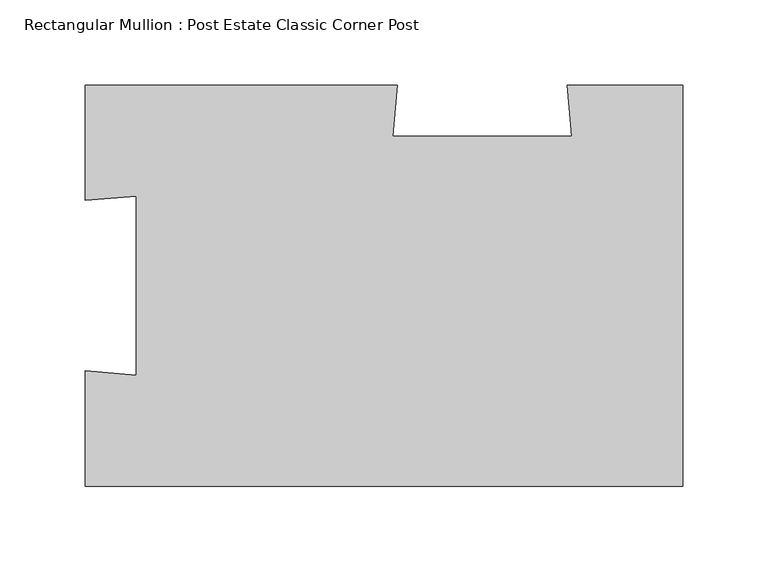
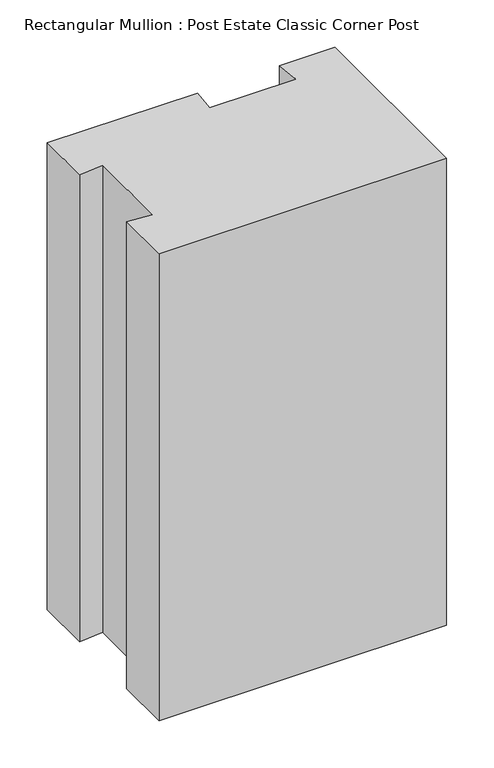
"""IFC4 building model written with IfcOpenShell, lengths in millimetres: member geometry, Rectangular Mullion : Post Estate Classic Corner Post."""

import ifcopenshell
import ifcopenshell.guid

model = None  # the IFC model being written
_history = None  # IfcOwnerHistory: only IFC2X3 demands one
_inside = {}  # id of a spatial element -> (the spatial element, [elements in it])
_under = {}  # id of a project, library or spatial element -> (it, [spatial elements below it])
_declared = {}  # id of a project -> (the project, [libraries it declares])
_typed = {}  # id of a type object -> (the type object, [elements of that type])
_made_of = {}  # id of a material, layer set ... -> (it, [elements and type objects made of it])


def new_model(schema):
    """Start an empty IFC model of exactly this schema.

    Asked for "IFC4X3", IfcOpenShell would pick the latest addendum, in which some entities
    have other attributes; the version numbers below select the first issue.
    IFC2X3 requires an IfcOwnerHistory on every rooted entity: one is made here for all.
    """
    global model, _history
    if schema == "IFC4X3":
        model = ifcopenshell.file(schema_version=(4, 3, 0, 0))
    else:
        model = ifcopenshell.file(schema=schema)
    _inside.clear()
    _under.clear()
    _declared.clear()
    _typed.clear()
    _made_of.clear()
    _history = None
    if model.schema == "IFC2X3":
        org = make("IfcOrganization", Name="unknown")
        user = make(
            "IfcPersonAndOrganization",
            ThePerson=make("IfcPerson", FamilyName="unknown"),
            TheOrganization=org,
        )
        app = make(
            "IfcApplication",
            ApplicationDeveloper=org,
            Version="unknown",
            ApplicationFullName="unknown",
            ApplicationIdentifier="unknown",
        )
        _history = make(
            "IfcOwnerHistory",
            OwningUser=user,
            OwningApplication=app,
            ChangeAction="ADDED",
            CreationDate=0,
        )
    return model


def make(cls, **values):
    """One entity of the class cls with the attributes given. An attribute that is None is left unset."""
    return model.create_entity(
        cls, **{name: value for name, value in values.items() if value is not None}
    )


def rooted(cls, **values):
    """An entity with a GlobalId (a new one), such as an element, a storey or a relation."""
    return make(cls, GlobalId=ifcopenshell.guid.new(), OwnerHistory=_history, **values)


def si_unit(unit_type, name, prefix=None):
    """IfcSIUnit, for example si_unit("LENGTHUNIT", "METRE", prefix="MILLI")."""
    return make("IfcSIUnit", UnitType=unit_type, Prefix=prefix, Name=name)


def assignment(units):
    """IfcUnitAssignment: the units of a project."""
    return None if units is None else make("IfcUnitAssignment", Units=units)


def point(xyz):
    """IfcCartesianPoint."""
    return None if xyz is None else make("IfcCartesianPoint", Coordinates=xyz)


def direction(xyz):
    """IfcDirection."""
    return None if xyz is None else make("IfcDirection", DirectionRatios=xyz)


def frame(location, z_axis=None, x_axis=None):
    """IfcAxis2Placement3D, a coordinate frame: its origin and axes. An axis left out is left unset."""
    return make(
        "IfcAxis2Placement3D",
        Location=point(location),
        Axis=direction(z_axis),
        RefDirection=direction(x_axis),
    )


def origin():
    """The frame at (0, 0, 0) with its axes left unset."""
    return frame((0.0, 0.0, 0.0))


def place(relative_to, where):
    """IfcLocalPlacement: puts the frame where relative to a parent placement (None: the world)."""
    return make(
        "IfcLocalPlacement", PlacementRelTo=relative_to, RelativePlacement=where
    )


def context(
    kind, dimensions, precision=None, world=None, true_north=None, identifier=None
):
    """IfcGeometricRepresentationContext, for example the 3D "Model" context."""
    return make(
        "IfcGeometricRepresentationContext",
        ContextIdentifier=identifier,
        ContextType=kind,
        CoordinateSpaceDimension=dimensions,
        Precision=precision,
        WorldCoordinateSystem=world,
        TrueNorth=true_north,
    )


def project(units=None, contexts=None):
    """IfcProject with its units and contexts."""
    return rooted(
        "IfcProject",
        Name="project",
        RepresentationContexts=contexts,
        UnitsInContext=assignment(units),
    )


def spatial(cls, under=None, at=None, **own):
    """A site, building, storey or space (cls), placed at a placement, below another one or the project."""
    s = rooted(cls, ObjectPlacement=at, **own)
    if under is not None:
        _under.setdefault(under.id(), (under, []))[1].append(s)
    return s


def polyline(points):
    """IfcPolyline through the points."""
    return make("IfcPolyline", Points=[point(p) for p in points])


def outline(outer, holes=None, kind="AREA"):
    """IfcArbitraryClosedProfileDef: a profile drawn as a closed curve; with holes, ...WithVoids."""
    if holes is None:
        return make("IfcArbitraryClosedProfileDef", ProfileType=kind, OuterCurve=outer)
    return make(
        "IfcArbitraryProfileDefWithVoids",
        ProfileType=kind,
        OuterCurve=outer,
        InnerCurves=holes,
    )


def extrude(swept, where, along, depth):
    """IfcExtrudedAreaSolid: the profile swept, set in the frame where, extruded along a direction by depth."""
    return make(
        "IfcExtrudedAreaSolid",
        SweptArea=swept,
        Position=where,
        ExtrudedDirection=direction(along),
        Depth=depth,
    )


def shape(context_of_items, identifier, shape_type, items):
    """IfcShapeRepresentation: the items that make up one representation, for example the "Body"."""
    return make(
        "IfcShapeRepresentation",
        ContextOfItems=context_of_items,
        RepresentationIdentifier=identifier,
        RepresentationType=shape_type,
        Items=items,
    )


def source(mapping_origin, context_of_items, identifier, shape_type, items):
    """IfcRepresentationMap: a shape defined once, which mapped items show again and again."""
    return make(
        "IfcRepresentationMap",
        MappingOrigin=mapping_origin,
        MappedRepresentation=shape(context_of_items, identifier, shape_type, items),
    )


def transform(
    local_origin,
    x_axis=None,
    y_axis=None,
    z_axis=None,
    scale=None,
    scale2=None,
    scale3=None,
    uniform=True,
):
    """IfcCartesianTransformationOperator3D, or its non-uniform kind. x_axis, y_axis, z_axis: its Axis1, 2, 3."""
    if uniform:
        return make(
            "IfcCartesianTransformationOperator3D",
            Axis1=direction(x_axis),
            Axis2=direction(y_axis),
            LocalOrigin=point(local_origin),
            Scale=scale,
            Axis3=direction(z_axis),
        )
    return make(
        "IfcCartesianTransformationOperator3DnonUniform",
        Axis1=direction(x_axis),
        Axis2=direction(y_axis),
        LocalOrigin=point(local_origin),
        Scale=scale,
        Axis3=direction(z_axis),
        Scale2=scale2,
        Scale3=scale3,
    )


def mapped(mapping_source, mapping_target):
    """IfcMappedItem: shows the shape of a source again, moved by a transform."""
    return make(
        "IfcMappedItem", MappingSource=mapping_source, MappingTarget=mapping_target
    )


def made_of(thing, what):
    """Note that an element or type object is made of a material, layer set ...; save() writes the relation."""
    if what is not None:
        _made_of.setdefault(what.id(), (what, []))[1].append(thing)
    return thing


def element(
    cls,
    number,
    at=None,
    inside=None,
    cuts=None,
    type_object=None,
    material=None,
    context=None,
    identifier="Body",
    shape_type=None,
    held_by="IfcProductDefinitionShape",
    body=None,
    shapes=None,
    **own,
):
    """One element of the class cls, such as IfcWall. Its Tag is "e" and its number.

    at: its placement. inside: the storey or other place that contains it. cuts: it is an
    opening in that element (IfcRelVoidsElement). A single representation is given by context,
    identifier, shape_type and body (its items); several are given by shapes. held_by: the class
    of the entity that holds the representations. save() writes the other relations.
    """
    e = rooted(cls, Tag="e%d" % number, ObjectPlacement=at, **own)
    if body is not None:
        shapes = [shape(context, identifier, shape_type, body)]
    if shapes is not None:
        e.Representation = make(held_by, Representations=shapes)
    if inside is not None:
        _inside.setdefault(inside.id(), (inside, []))[1].append(e)
    if cuts is not None:
        rooted(
            "IfcRelVoidsElement", RelatingBuildingElement=cuts, RelatedOpeningElement=e
        )
    if type_object is not None:
        _typed.setdefault(type_object.id(), (type_object, []))[1].append(e)
    return made_of(e, material)


def aggregate(whole, parts):
    """IfcRelAggregates: a whole, such as a stair, and the parts it consists of."""
    return rooted("IfcRelAggregates", RelatingObject=whole, RelatedObjects=parts)


def save(model, path):
    """Write the relations noted so far, then the file.

    IfcRelAggregates (storeys below a building ...), IfcRelContainedInSpatialStructure (elements
    in a storey), IfcRelDefinesByType, IfcRelAssociatesMaterial and IfcRelDeclares: one each for
    every whole, place, type object, material and project.
    """
    for whole, parts in _under.values():
        aggregate(whole, parts)
    for where, things in _inside.values():
        rooted(
            "IfcRelContainedInSpatialStructure",
            RelatedElements=things,
            RelatingStructure=where,
        )
    for kind, things in _typed.values():
        rooted("IfcRelDefinesByType", RelatedObjects=things, RelatingType=kind)
    for what, things in _made_of.values():
        rooted("IfcRelAssociatesMaterial", RelatedObjects=things, RelatingMaterial=what)
    for by, libraries in _declared.values():
        rooted("IfcRelDeclares", RelatingContext=by, RelatedDefinitions=libraries)
    model.write(path)


def rectangular_mullion_post_estate_classic_corner_post_91c1059c(model_context):
    return source(origin(), model_context, "Body", "SweptSolid", [
        extrude(outline(polyline([(-67.5100885, 117.3653397), (0.0, 117.3653397), (0.0, -117.4347283), (-350.0, -117.4347283), (-350.0, -49.8853277), (-320.1141591, -52.5), (-320.1141591, 52.5), (-350.0, 49.8853277), (-350.0, 117.3653397), (-167.280744, 117.3653397), (-169.8954163, 87.4794988), (-64.8954163, 87.4794988), (-67.5100885, 117.3653397)])), frame((0.0, 0.0, -600.0), z_axis=(0.0, 0.0, 1.0), x_axis=(1.0, 0.0, 0.0)), (0.0, 0.0, 1.0), 600.0),
    ])


if __name__ == "__main__":
    model = new_model("IFC4")
    model_context = context("Model", 3, world=origin())
    ifc_project = project(units=[si_unit("LENGTHUNIT", "METRE", prefix="MILLI")], contexts=[model_context])
    site = spatial("IfcSite", under=ifc_project)
    building = spatial("IfcBuilding", under=site)
    placement = place(None, origin())
    rectangular_mullion_post_estate_classic_corner_post_shape = rectangular_mullion_post_estate_classic_corner_post_91c1059c(model_context)
    element("IfcMember", 1, ObjectType="Rectangular Mullion : Post Estate Classic Corner Post", at=placement, inside=building, context=model_context, shape_type="MappedRepresentation", body=[
        mapped(rectangular_mullion_post_estate_classic_corner_post_shape, transform((0.0, 0.0, 0.0), x_axis=(1.0, 0.0, 0.0), y_axis=(0.0, 1.0, 0.0), z_axis=(0.0, 0.0, 1.0))),
    ])
    save(model, "model.ifc")
